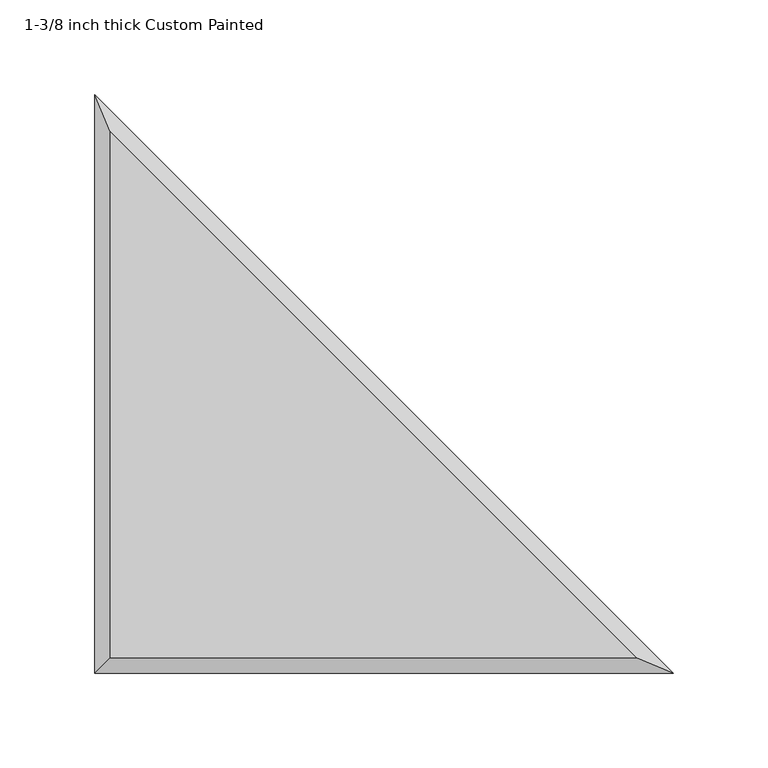
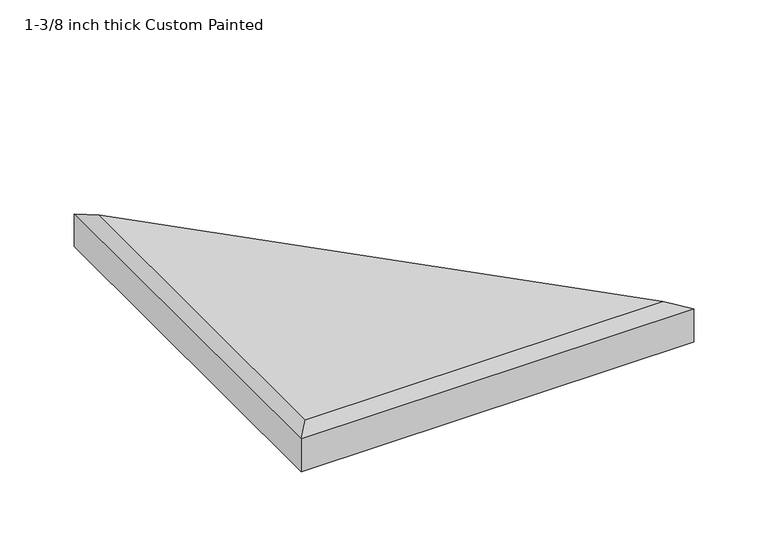
"""IFC4 building model written with IfcOpenShell, lengths in millimetres: proxy geometry, 1-3/8 inch thick Custom Painted."""

from ifc_helpers import new_model, si_unit, origin, place, context, project, spatial, faceted_brep, source, transform, mapped, element, save


def proxy_1_3_8_inch_thick_custom_painted_c3af78d5(model_context):
    return source(origin(), model_context, "Body", "Brep", [
        faceted_brep([(8.001, 8.001, 34.925), (285.4838773, 8.001, 34.925), (8.001, 285.4838773, 34.925), (0.0, 304.8, 0.0), (304.8, 0.0, 0.0), (0.0, 0.0, 0.0), (0.0, 0.0, 26.924), (0.0, 304.8, 26.924), (304.8, 0.0, 26.924)], [[[0, 1, 2]], [[3, 4, 5]], [[3, 5, 6, 7]], [[5, 4, 8, 6]], [[4, 3, 7, 8]], [[8, 1, 0, 6]], [[1, 8, 7, 2]], [[6, 0, 2, 7]]]),
    ])


if __name__ == "__main__":
    model = new_model("IFC4")
    model_context = context("Model", 3, world=origin())
    ifc_project = project(units=[si_unit("LENGTHUNIT", "METRE", prefix="MILLI")], contexts=[model_context])
    site = spatial("IfcSite", under=ifc_project)
    building = spatial("IfcBuilding", under=site)
    placement = place(None, origin())
    proxy_1_3_8_inch_thick_custom_painted_shape = proxy_1_3_8_inch_thick_custom_painted_c3af78d5(model_context)
    element("IfcBuildingElementProxy", 1, Name="1-3/8 inch thick Custom Painted", ObjectType="1-3/8 inch thick Custom Painted", at=placement, inside=building, context=model_context, shape_type="MappedRepresentation", body=[
        mapped(proxy_1_3_8_inch_thick_custom_painted_shape, transform((0.0, 0.0, 0.0), x_axis=(1.0, 0.0, 0.0), y_axis=(0.0, 1.0, 0.0), z_axis=(0.0, 0.0, 1.0))),
    ])
    save(model, "model.ifc")
